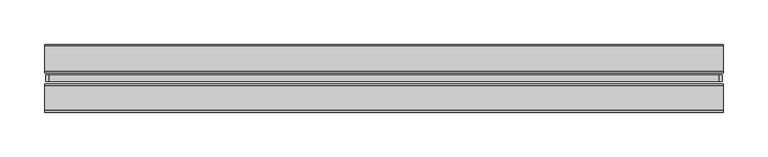
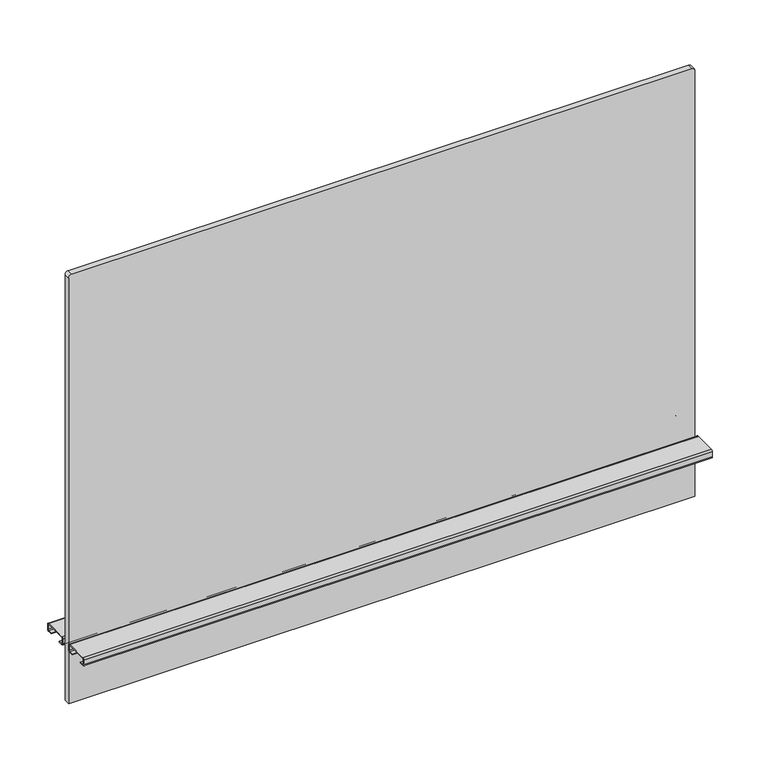
"""IFC4 building model written with IfcOpenShell, lengths in millimetres: furniture geometry."""

from ifc_helpers import new_model, si_unit, point, frame, frame_2d, origin, place, context, project, spatial, polyline, circle_curve, trimmed, segment, composite_curve, outline, extrude, source, transform, mapped, element, save


def furniture_7d3c49aa(model_context):
    return source(origin(), model_context, "Body", "SweptSolid", [
        extrude(outline(composite_curve([segment(polyline([(1239.367613, 375.92), (1239.367613, -375.92)]), True, "CONTINUOUS"), segment(trimmed(circle_curve(frame_2d((1235.557613, -375.92)), 3.81), [point((1239.367613, -375.92))], [point((1235.557613, -379.73))], False, "CARTESIAN"), True, "CONTINUOUS"), segment(polyline([(1235.557613, -379.73), (689.965613, -379.73), (689.965613, 379.73), (1235.557613, 379.73)]), True, "CONTINUOUS"), segment(trimmed(circle_curve(frame_2d((1235.557613, 375.92)), 3.81), [point((1235.557613, 379.73))], [point((1239.367613, 375.92))], False, "CARTESIAN"), True, "CONTINUOUS")], self_intersect=False)), frame((0.0, -3.683001, 0.0), z_axis=(0.0, 1.0, 0.0), x_axis=(0.0, 0.0, 1.0)), (0.0, 0.0, 1.0), 7.3660021),
        extrude(outline(composite_curve([segment(polyline([(8.1724496, 769.2644064), (36.0679996, 769.2644064)]), True, "CONTINUOUS"), segment(trimmed(circle_curve(frame_2d((36.0679996, 767.2324064)), 2.032), [point((36.0679996, 769.2644064))], [point((38.0999996, 767.2324064))], False, "CARTESIAN"), True, "CONTINUOUS"), segment(polyline([(38.0999996, 767.2324064), (38.0999996, 761.1364161)]), True, "CONTINUOUS"), segment(trimmed(circle_curve(frame_2d((36.0679996, 761.1364161)), 2.032), [point((38.0999996, 761.1364161))], [point((36.0679996, 759.1044161))], False, "CARTESIAN"), True, "CONTINUOUS"), segment(polyline([(36.0679996, 759.1044161), (30.7784504, 759.1044161), (30.7784504, 760.0187498), (36.1695996, 760.0187498)]), True, "CONTINUOUS"), segment(trimmed(circle_curve(frame_2d((36.1695996, 761.0347498)), 1.016), [point((36.1695996, 760.0187498))], [point((37.1855996, 761.0347498))], True, "CARTESIAN"), True, "CONTINUOUS"), segment(polyline([(37.1855996, 761.0347498), (37.1855996, 767.334)]), True, "CONTINUOUS"), segment(trimmed(circle_curve(frame_2d((36.1695996, 767.334)), 1.016), [point((37.1855996, 767.334))], [point((36.1695996, 768.35))], True, "CARTESIAN"), True, "CONTINUOUS"), segment(polyline([(36.1695996, 768.35), (8.0708496, 768.35)]), True, "CONTINUOUS"), segment(trimmed(circle_curve(frame_2d((8.0708496, 767.334)), 1.016), [point((8.0708496, 768.35))], [point((7.0548496, 767.334))], True, "CARTESIAN"), True, "CONTINUOUS"), segment(polyline([(7.0548496, 767.334), (7.0548496, 761.0347498)]), True, "CONTINUOUS"), segment(trimmed(circle_curve(frame_2d((8.0708496, 761.0347498)), 1.016), [point((7.0548496, 761.0347498))], [point((8.0708496, 760.0187498))], True, "CARTESIAN"), True, "CONTINUOUS"), segment(polyline([(8.0708496, 760.0187498), (13.4619988, 760.0187498), (13.4619988, 759.1044161), (8.1724496, 759.1044161)]), True, "CONTINUOUS"), segment(trimmed(circle_curve(frame_2d((8.1724496, 761.1364161)), 2.032), [point((8.1724496, 759.1044161))], [point((6.1404496, 761.1364161))], False, "CARTESIAN"), True, "CONTINUOUS"), segment(polyline([(6.1404496, 761.1364161), (6.1404496, 767.2324064)]), True, "CONTINUOUS"), segment(trimmed(circle_curve(frame_2d((8.1724496, 767.2324064)), 2.032), [point((6.1404496, 767.2324064))], [point((8.1724496, 769.2644064))], False, "CARTESIAN"), True, "CONTINUOUS")], self_intersect=False)), frame((-381.0, 0.0, 0.0), z_axis=(1.0, 0.0, 0.0), x_axis=(0.0, 1.0, 0.0)), (0.0, 0.0, 1.0), 762.0),
        extrude(outline(composite_curve([segment(trimmed(circle_curve(frame_2d((-8.1724496, 767.2324064)), 2.032), [point((-8.1724496, 769.2644064))], [point((-6.1404496, 767.2324064))], False, "CARTESIAN"), True, "CONTINUOUS"), segment(polyline([(-6.1404496, 767.2324064), (-6.1404496, 761.1364161)]), True, "CONTINUOUS"), segment(trimmed(circle_curve(frame_2d((-8.1724496, 761.1364161)), 2.032), [point((-6.1404496, 761.1364161))], [point((-8.1724496, 759.1044161))], False, "CARTESIAN"), True, "CONTINUOUS"), segment(polyline([(-8.1724496, 759.1044161), (-13.4619988, 759.1044161), (-13.4619988, 760.0187498), (-8.0708496, 760.0187498)]), True, "CONTINUOUS"), segment(trimmed(circle_curve(frame_2d((-8.0708496, 761.0347498)), 1.016), [point((-8.0708496, 760.0187498))], [point((-7.0548496, 761.0347498))], True, "CARTESIAN"), True, "CONTINUOUS"), segment(polyline([(-7.0548496, 761.0347498), (-7.0548496, 767.334)]), True, "CONTINUOUS"), segment(trimmed(circle_curve(frame_2d((-8.0708496, 767.334)), 1.016), [point((-7.0548496, 767.334))], [point((-8.0708496, 768.35))], True, "CARTESIAN"), True, "CONTINUOUS"), segment(polyline([(-8.0708496, 768.35), (-36.1695996, 768.35)]), True, "CONTINUOUS"), segment(trimmed(circle_curve(frame_2d((-36.1695996, 767.334)), 1.016), [point((-36.1695996, 768.35))], [point((-37.1855996, 767.334))], True, "CARTESIAN"), True, "CONTINUOUS"), segment(polyline([(-37.1855996, 767.334), (-37.1855996, 761.0347498)]), True, "CONTINUOUS"), segment(trimmed(circle_curve(frame_2d((-36.1695996, 761.0347498)), 1.016), [point((-37.1855996, 761.0347498))], [point((-36.1695996, 760.0187498))], True, "CARTESIAN"), True, "CONTINUOUS"), segment(polyline([(-36.1695996, 760.0187498), (-30.7784504, 760.0187498), (-30.7784504, 759.1044161), (-36.0679996, 759.1044161)]), True, "CONTINUOUS"), segment(trimmed(circle_curve(frame_2d((-36.0679996, 761.1364161)), 2.032), [point((-36.0679996, 759.1044161))], [point((-38.0999996, 761.1364161))], False, "CARTESIAN"), True, "CONTINUOUS"), segment(polyline([(-38.0999996, 761.1364161), (-38.0999996, 767.2324064)]), True, "CONTINUOUS"), segment(trimmed(circle_curve(frame_2d((-36.0679996, 767.2324064)), 2.032), [point((-38.0999996, 767.2324064))], [point((-36.0679996, 769.2644064))], False, "CARTESIAN"), True, "CONTINUOUS"), segment(polyline([(-36.0679996, 769.2644064), (-8.1724496, 769.2644064)]), True, "CONTINUOUS")], self_intersect=False)), frame((-381.0, 0.0, 0.0), z_axis=(1.0, 0.0, 0.0), x_axis=(0.0, 1.0, 0.0)), (0.0, 0.0, 1.0), 762.0),
    ])


if __name__ == "__main__":
    model = new_model("IFC4")
    model_context = context("Model", 3, world=origin())
    ifc_project = project(units=[si_unit("LENGTHUNIT", "METRE", prefix="MILLI")], contexts=[model_context])
    site = spatial("IfcSite", under=ifc_project)
    building = spatial("IfcBuilding", under=site)
    placement = place(None, origin())
    furniture_shape = furniture_7d3c49aa(model_context)
    element("IfcFurniture", 1, at=placement, inside=building, context=model_context, shape_type="MappedRepresentation", body=[
        mapped(furniture_shape, transform((0.0, 0.0, 0.0), x_axis=(1.0, 0.0, 0.0), y_axis=(0.0, 1.0, 0.0), z_axis=(0.0, 0.0, 1.0))),
    ])
    save(model, "model.ifc")
